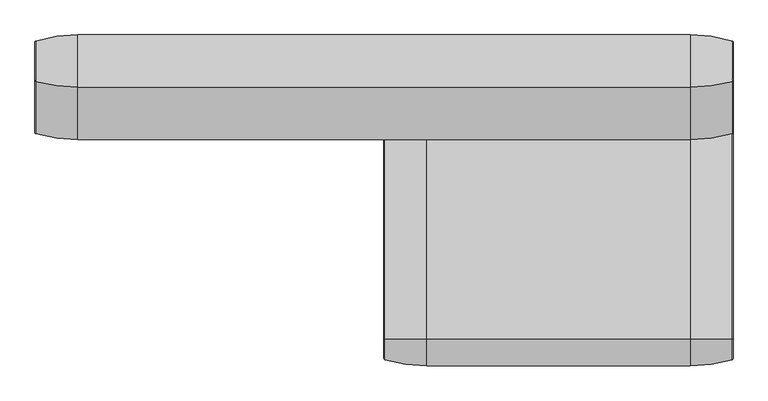
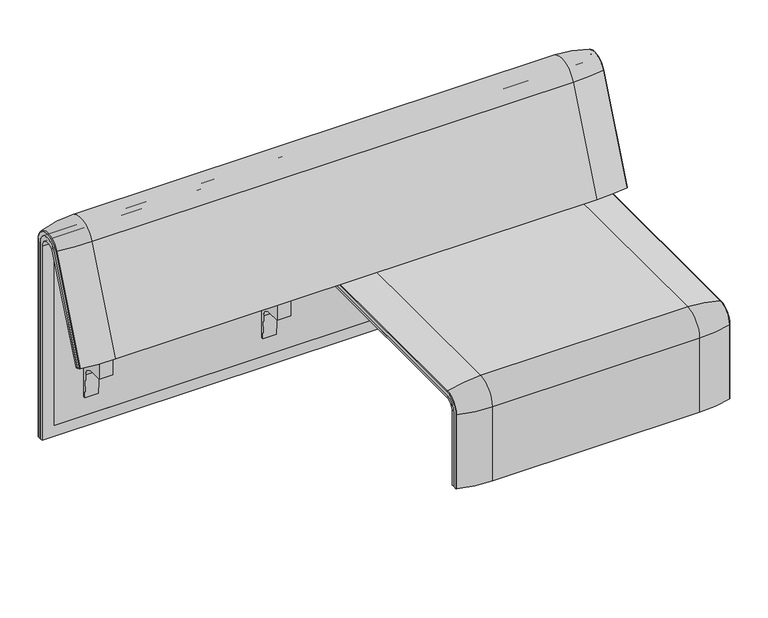
"""IFC4 building model written with IfcOpenShell, lengths in millimetres: furniture geometry."""

from ifc_helpers import new_model, si_unit, point, frame, frame_2d, origin, place, context, project, spatial, polyline, circle_curve, ellipse_curve, trimmed, segment, composite_curve, outline, extrude, source, transform, mapped, element, save
from ifc_brep_helpers import plane_surface, cylinder_surface, revolved_surface, advanced_brep


def furniture_8ec2e167(model_context):
    return source(origin(), model_context, "Body", "SolidModel", [
        extrude(outline(composite_curve([segment(trimmed(circle_curve(frame_2d((305.0000061, 379.9223263)), 30.0), [point((305.0000061, 349.9223263))], [point((335.0000061, 379.9223263))], True, "CARTESIAN"), True, "CONTINUOUS"), segment(polyline([(335.0000061, 379.9223263), (335.0000061, 515.0657595)]), True, "CONTINUOUS"), segment(trimmed(circle_curve(frame_2d((305.0000061, 515.0657595)), 30.0), [point((335.0000061, 515.0657595))], [point((316.7219399, 542.6809051))], True, "CARTESIAN"), True, "CONTINUOUS"), segment(polyline([(316.7219399, 542.6809051), (257.4911714, 567.8228747)]), True, "CONTINUOUS"), segment(trimmed(circle_curve(frame_2d((251.6302045, 554.0153019)), 15.0), [point((257.4911714, 567.8228747))], [point((238.0355877, 560.3545758))], True, "CARTESIAN"), True, "CONTINUOUS"), segment(polyline([(238.0355877, 560.3545758), (222.2725218, 526.5505721), (213.7507451, 529.5682915), (296.3054528, 724.0549949)]), True, "CONTINUOUS"), segment(trimmed(circle_curve(frame_2d((322.520748, 712.9272623)), 28.479258), [point((296.3054528, 724.0549949))], [point((351.0000061, 712.9272623))], False, "CARTESIAN"), True, "CONTINUOUS"), segment(polyline([(351.0000061, 712.9272623), (351.0000061, 197.0551771), (343.3075759, 197.0551771), (339.4064861, 271.492405)]), True, "CONTINUOUS"), segment(trimmed(circle_curve(frame_2d((309.4476, 269.9223263)), 30.0), [point((339.4064861, 271.492405))], [point((309.4476, 299.9223263))], True, "CARTESIAN"), True, "CONTINUOUS"), segment(polyline([(309.4476, 299.9223263), (270.0000061, 299.9223263), (270.0000061, 359.9223263), (275.0000061, 359.9223263)]), True, "CONTINUOUS"), segment(trimmed(circle_curve(frame_2d((285.0000061, 359.9223263)), 10.0), [point((275.0000061, 359.9223263))], [point((285.0000061, 349.9223263))], True, "CARTESIAN"), True, "CONTINUOUS"), segment(polyline([(285.0000061, 349.9223263), (305.0000061, 349.9223263)]), True, "CONTINUOUS")], self_intersect=False), holes=[composite_curve([segment(polyline([(337.5000061, 576.3274105), (337.5000061, 716.7072663)]), True, "CONTINUOUS"), segment(trimmed(circle_curve(frame_2d((322.5000061, 716.7072663)), 15.0), [point((337.5000061, 716.7072663))], [point((308.9053893, 723.0465402))], True, "CARTESIAN"), True, "CONTINUOUS"), segment(polyline([(308.9053893, 723.0465402), (253.6256191, 604.4986904)]), True, "CONTINUOUS"), segment(trimmed(circle_curve(frame_2d((271.7517748, 596.0463251)), 20.0), [point((253.6256191, 604.4986904))], [point((265.0756376, 577.1934953))], True, "CARTESIAN"), True, "CONTINUOUS"), segment(polyline([(265.0756376, 577.1934953), (314.1406626, 559.8186587)]), True, "CONTINUOUS"), segment(trimmed(circle_curve(frame_2d((319.9867182, 576.3274105)), 17.5132879), [point((314.1406626, 559.8186587))], [point((337.5000061, 576.3274105))], True, "CARTESIAN"), True, "CONTINUOUS")], self_intersect=False)]), frame((123.0123717, 0.0, 0.0), z_axis=(1.0, 0.0, 0.0), x_axis=(0.0, 1.0, 0.0)), (0.0, 0.0, 1.0), 40.0),
        extrude(outline(composite_curve([segment(trimmed(circle_curve(frame_2d((305.0000061, 379.9223263)), 30.0), [point((305.0000061, 349.9223263))], [point((335.0000061, 379.9223263))], True, "CARTESIAN"), True, "CONTINUOUS"), segment(polyline([(335.0000061, 379.9223263), (335.0000061, 515.0657595)]), True, "CONTINUOUS"), segment(trimmed(circle_curve(frame_2d((305.0000061, 515.0657595)), 30.0), [point((335.0000061, 515.0657595))], [point((316.7219399, 542.6809051))], True, "CARTESIAN"), True, "CONTINUOUS"), segment(polyline([(316.7219399, 542.6809051), (257.4911714, 567.8228747)]), True, "CONTINUOUS"), segment(trimmed(circle_curve(frame_2d((251.6302045, 554.0153019)), 15.0), [point((257.4911714, 567.8228747))], [point((238.0355877, 560.3545758))], True, "CARTESIAN"), True, "CONTINUOUS"), segment(polyline([(238.0355877, 560.3545758), (222.2725218, 526.5505721), (213.7507451, 529.5682915), (296.3054528, 724.0549949)]), True, "CONTINUOUS"), segment(trimmed(circle_curve(frame_2d((322.520748, 712.9272623)), 28.479258), [point((296.3054528, 724.0549949))], [point((351.0000061, 712.9272623))], False, "CARTESIAN"), True, "CONTINUOUS"), segment(polyline([(351.0000061, 712.9272623), (351.0000061, 197.0551771), (343.3075759, 197.0551771), (339.4064861, 271.492405)]), True, "CONTINUOUS"), segment(trimmed(circle_curve(frame_2d((309.4476, 269.9223263)), 30.0), [point((339.4064861, 271.492405))], [point((309.4476, 299.9223263))], True, "CARTESIAN"), True, "CONTINUOUS"), segment(polyline([(309.4476, 299.9223263), (270.0000061, 299.9223263), (270.0000061, 359.9223263), (275.0000061, 359.9223263)]), True, "CONTINUOUS"), segment(trimmed(circle_curve(frame_2d((285.0000061, 359.9223263)), 10.0), [point((275.0000061, 359.9223263))], [point((285.0000061, 349.9223263))], True, "CARTESIAN"), True, "CONTINUOUS"), segment(polyline([(285.0000061, 349.9223263), (305.0000061, 349.9223263)]), True, "CONTINUOUS")], self_intersect=False), holes=[composite_curve([segment(polyline([(337.5000061, 576.3274105), (337.5000061, 716.7072663)]), True, "CONTINUOUS"), segment(trimmed(circle_curve(frame_2d((322.5000061, 716.7072663)), 15.0), [point((337.5000061, 716.7072663))], [point((308.9053893, 723.0465402))], True, "CARTESIAN"), True, "CONTINUOUS"), segment(polyline([(308.9053893, 723.0465402), (253.6256191, 604.4986904)]), True, "CONTINUOUS"), segment(trimmed(circle_curve(frame_2d((271.7517748, 596.0463251)), 20.0), [point((253.6256191, 604.4986904))], [point((265.0756376, 577.1934953))], True, "CARTESIAN"), True, "CONTINUOUS"), segment(polyline([(265.0756376, 577.1934953), (314.1406626, 559.8186587)]), True, "CONTINUOUS"), segment(trimmed(circle_curve(frame_2d((319.9867182, 576.3274105)), 17.5132879), [point((314.1406626, 559.8186587))], [point((337.5000061, 576.3274105))], True, "CARTESIAN"), True, "CONTINUOUS")], self_intersect=False)]), frame((653.0019654, 0.0, 0.0), z_axis=(1.0, 0.0, 0.0), x_axis=(0.0, 1.0, 0.0)), (0.0, 0.0, 1.0), 40.0),
        advanced_brep(
        [(816.0143371, 351.0000061, 101.8476716), (816.0143371, 359.7858817, 101.8476716), (816.0143371, 359.7858817, 720.3417731), (816.0143371, 292.4403877, 733.7122262), (816.0143371, 170.1966807, 437.98305), (816.0143371, 175.0204081, 435.9866665), (816.0143371, 296.2458652, 723.9869215), (816.0143371, 351.0000061, 712.9272623), (-815.9812488, 351.0000061, 101.8476716), (-815.9812488, 351.0000061, 712.9272623), (-815.9812488, 296.2720241, 723.9759107), (-815.9812488, 175.0204081, 435.9866665), (-815.9812488, 170.1966807, 437.98305), (-815.9812488, 292.4403877, 733.7122262), (-815.9812488, 359.7858817, 720.3417731), (-815.9812488, 359.7858817, 101.8476716), (781.097793, 292.4403877, 733.7122262), (781.097793, 176.0980387, 452.25948), (-781.097793, 176.0980387, 452.25948), (-781.097793, 292.4403877, 733.7122262), (-781.097793, 296.2458652, 723.9869215), (-781.097793, 181.0136548, 450.2250668), (781.097793, 181.0136548, 450.2250668), (781.097793, 296.2458652, 723.9869215), (781.097793, 351.0000061, 712.9272623), (781.097793, 351.0000061, 135.3766997), (-781.097793, 351.0000061, 135.3766997), (-781.097793, 351.0000061, 712.9272623), (-781.097793, 359.7858817, 720.3417731), (-781.097793, 359.7858817, 135.3766997), (781.097793, 359.7858817, 135.3766997), (781.097793, 359.7858817, 720.3417731)],
        [
            (0, 1),
            (1, 2),
            (2, 3, circle_curve(frame((816.0143371, 324.7858817, 720.3417731), z_axis=(1.0, 0.0, 0.0), x_axis=(0.0, -1.0, 0.0)), 35.0)),
            (3, 4),
            (4, 5),
            (5, 6),
            (6, 7, circle_curve(frame((816.0143371, 322.520748, 712.9272623), z_axis=(-1.0, 0.0, 0.0), x_axis=(0.0, -1.0, 0.0)), 28.479258)),
            (7, 0),
            (8, 9),
            (9, 10, circle_curve(frame((-815.9812488, 322.520748, 712.9272623), z_axis=(1.0, 0.0, 0.0), x_axis=(0.0, -1.0, 0.0)), 28.479258)),
            (10, 11),
            (11, 12),
            (12, 13),
            (13, 14, circle_curve(frame((-815.9812488, 324.7858817, 720.3417731), z_axis=(-1.0, 0.0, 0.0), x_axis=(0.0, -1.0, 0.0)), 35.0)),
            (14, 15),
            (15, 8),
            (3, 16),
            (16, 17),
            (17, 18),
            (18, 19),
            (19, 13),
            (12, 4),
            (11, 5),
            (10, 20),
            (20, 21),
            (21, 22),
            (22, 23),
            (23, 6),
            (7, 24),
            (24, 25),
            (25, 26),
            (26, 27),
            (27, 9),
            (8, 0),
            (15, 1),
            (14, 28),
            (28, 29),
            (29, 30),
            (30, 31),
            (31, 2),
            (31, 16, circle_curve(frame((781.097793, 324.7858817, 720.3417731), z_axis=(1.0, 0.0, 0.0), x_axis=(0.0, -1.0, 0.0)), 35.0)),
            (19, 28, circle_curve(frame((-781.097793, 324.7858817, 720.3417731), z_axis=(-1.0, 0.0, 0.0), x_axis=(0.0, -1.0, 0.0)), 35.0)),
            (23, 24, circle_curve(frame((781.097793, 322.520748, 712.9272623), z_axis=(-1.0, 0.0, 0.0), x_axis=(0.0, -1.0, 0.0)), 28.479258)),
            (27, 20, circle_curve(frame((-781.097793, 322.520748, 712.9272623), z_axis=(1.0, 0.0, 0.0), x_axis=(0.0, -1.0, 0.0)), 28.479258)),
            (22, 17),
            (30, 25),
            (26, 29),
            (18, 21),
        ],
        [
            plane_surface(frame((816.0143371, 359.7858817, 101.8476716), z_axis=(1.0, 0.0, 0.0), x_axis=(0.0, 1.0, 0.0))),
            plane_surface(frame((-815.9812488, 359.7858817, 101.8476716), z_axis=(-1.0, 0.0, 0.0), x_axis=(0.0, -1.0, 0.0))),
            plane_surface(frame((816.0143371, 292.4403877, 733.7122262), z_axis=(0.0, -0.9241569717933176, 0.3820129467515535), x_axis=(-1.0, 0.0, 0.0))),
            plane_surface(frame((816.0143371, 170.1966807, 437.98305), z_axis=(0.0, -0.3824103944198279, -0.9239925812687414), x_axis=(-1.0, 0.0, 0.0))),
            plane_surface(frame((816.0143371, 175.0204081, 435.9866665), z_axis=(0.0, 0.921678643444566, -0.3879542218073993), x_axis=(-1.0, 0.0, 0.0))),
            plane_surface(frame((816.0143371, 351.0000061, 712.9272623), z_axis=(0.0, -1.0, 0.0), x_axis=(-1.0, 0.0, 0.0))),
            plane_surface(frame((816.0143371, 351.0000061, 101.8476716), z_axis=(0.0, 0.0, -1.0), x_axis=(-1.0, 0.0, 0.0))),
            plane_surface(frame((816.0143371, 359.7858817, 101.8476716), z_axis=(0.0, 1.0, 0.0), x_axis=(-1.0, 0.0, 0.0))),
            cylinder_surface(frame((-815.9812488, 324.7858817, 720.3417731), z_axis=(1.0, 0.0, 0.0), x_axis=(0.0, -1.0, 0.0)), 35.0),
            revolved_surface(polyline([(781.0977930000001, 294.04149, 712.9272623), (816.0143371000001, 294.04149, 712.9272623)]), (-815.9812488, 322.520748, 712.9272623), (-1.0, 0.0, 0.0)),
            revolved_surface(polyline([(-815.9812488, 294.04149, 712.9272623), (-781.097793, 294.04149, 712.9272623)]), (-815.9812488, 322.520748, 712.9272623), (-1.0, 0.0, 0.0)),
            plane_surface(frame((781.097793, 359.7858817, 135.3766997), z_axis=(-1.0, 0.0, 0.0), x_axis=(0.0, 1.0, 0.0))),
            plane_surface(frame((-781.097793, 359.7858817, 135.3766997), z_axis=(1.0, 0.0, 0.0), x_axis=(0.0, -1.0, 0.0))),
            plane_surface(frame((781.097793, 166.9120641, 456.0612553), z_axis=(0.0, 0.38241039441982605, 0.9239925812687422), x_axis=(-1.0, 0.0, 0.0))),
            plane_surface(frame((781.097793, 344.7858817, 135.3766997), z_axis=(0.0, 0.0, 1.0), x_axis=(-1.0, 0.0, 0.0))),
        ],
        [
            (0, [[1, 2, 3, 4, 5, 6, 7, 8]]),
            (1, [[9, 10, 11, 12, 13, 14, 15, 16]]),
            (2, [[-4, 17, 18, 19, 20, 21, -13, 22]]),
            (3, [[-5, -22, -12, 23]]),
            (4, [[-6, -23, -11, 24, 25, 26, 27, 28]]),
            (5, [[-8, 29, 30, 31, 32, 33, -9, 34]]),
            (6, [[-1, -34, -16, 35]]),
            (7, [[-2, -35, -15, 36, 37, 38, 39, 40]]),
            (8, [[-3, -40, 41, -17]]),
            (8, [[-14, -21, 42, -36]]),
            (9, [[-7, -28, 43, -29]]),
            (10, [[-10, -33, 44, -24]]),
            (11, [[45, -18, -41, -39, 46, -30, -43, -27]]),
            (12, [[47, -37, -42, -20, 48, -25, -44, -32]]),
            (13, [[-45, -26, -48, -19]]),
            (14, [[-46, -38, -47, -31]]),
        ],
    ),
        advanced_brep(
        [(781.097793, 351.0000061, 135.3766997), (781.097793, 359.7858817, 135.3766997), (781.097793, 359.7858817, 720.3417731), (781.097793, 292.4403877, 733.7122262), (781.097793, 176.0980387, 452.25948), (781.097793, 181.0136548, 450.2250668), (781.097793, 296.2458652, 723.9869215), (781.097793, 351.0000061, 712.9272623), (-781.097793, 351.0000061, 135.3766997), (-781.097793, 351.0000061, 712.9272623), (-781.097793, 296.2720241, 723.9759107), (-781.097793, 181.0136548, 450.2250668), (-781.097793, 176.0980387, 452.25948), (-781.097793, 292.4403877, 733.7122262), (-781.097793, 359.7858817, 720.3417731), (-781.097793, 359.7858817, 135.3766997)],
        [
            (0, 1),
            (1, 2),
            (2, 3, circle_curve(frame((781.097793, 324.7858817, 720.3417731), z_axis=(1.0, 0.0, 0.0), x_axis=(0.0, -1.0, 0.0)), 35.0)),
            (3, 4),
            (4, 5),
            (5, 6),
            (6, 7, circle_curve(frame((781.097793, 322.520748, 712.9272623), z_axis=(-1.0, 0.0, 0.0), x_axis=(0.0, -1.0, 0.0)), 28.479258)),
            (7, 0),
            (8, 9),
            (9, 10, circle_curve(frame((-781.097793, 322.520748, 712.9272623), z_axis=(1.0, 0.0, 0.0), x_axis=(0.0, -1.0, 0.0)), 28.479258)),
            (10, 11),
            (11, 12),
            (12, 13),
            (13, 14, circle_curve(frame((-781.097793, 324.7858817, 720.3417731), z_axis=(-1.0, 0.0, 0.0), x_axis=(0.0, -1.0, 0.0)), 35.0)),
            (14, 15),
            (15, 8),
            (3, 13),
            (12, 4),
            (11, 5),
            (10, 6),
            (7, 9),
            (8, 0),
            (15, 1),
            (14, 2),
        ],
        [
            plane_surface(frame((781.097793, 359.7858817, 135.3766997), z_axis=(1.0, 0.0, 0.0), x_axis=(0.0, 1.0, 0.0))),
            plane_surface(frame((-781.097793, 359.7858817, 135.3766997), z_axis=(-1.0, 0.0, 0.0), x_axis=(0.0, -1.0, 0.0))),
            plane_surface(frame((781.097793, 292.4403877, 733.7122262), z_axis=(0.0, -0.9241569717933176, 0.3820129467515535), x_axis=(-1.0, 0.0, 0.0))),
            plane_surface(frame((781.097793, 176.0980387, 452.25948), z_axis=(0.0, -0.38241039441982716, -0.9239925812687417), x_axis=(-1.0, 0.0, 0.0))),
            plane_surface(frame((781.097793, 181.0136548, 450.2250668), z_axis=(0.0, 0.921678643444566, -0.3879542218073993), x_axis=(-1.0, 0.0, 0.0))),
            plane_surface(frame((781.097793, 351.0000061, 712.9272623), z_axis=(0.0, -1.0, 0.0), x_axis=(-1.0, 0.0, 0.0))),
            plane_surface(frame((781.097793, 351.0000061, 135.3766997), z_axis=(0.0, 0.0, -1.0), x_axis=(-1.0, 0.0, 0.0))),
            plane_surface(frame((781.097793, 359.7858817, 135.3766997), z_axis=(0.0, 1.0, 0.0), x_axis=(-1.0, 0.0, 0.0))),
            cylinder_surface(frame((-781.097793, 324.7858817, 720.3417731), z_axis=(1.0, 0.0, 0.0), x_axis=(0.0, -1.0, 0.0)), 35.0),
            revolved_surface(polyline([(-781.097793, 294.04149, 712.9272623), (781.097793, 294.04149, 712.9272623)]), (-781.097793, 322.520748, 712.9272623), (-1.0, 0.0, 0.0)),
        ],
        [
            (0, [[1, 2, 3, 4, 5, 6, 7, 8]]),
            (1, [[9, 10, 11, 12, 13, 14, 15, 16]]),
            (2, [[-4, 17, -13, 18]]),
            (3, [[-5, -18, -12, 19]]),
            (4, [[-6, -19, -11, 20]]),
            (5, [[-8, 21, -9, 22]]),
            (6, [[-1, -22, -16, 23]]),
            (7, [[-2, -23, -15, 24]]),
            (8, [[-3, -24, -14, -17]]),
            (9, [[-7, -20, -10, -21]]),
        ],
    ),
        extrude(outline(composite_curve([segment(trimmed(circle_curve(frame_2d((305.0000061, 379.9223263)), 30.0), [point((305.0000061, 349.9223263))], [point((335.0000061, 379.9223263))], True, "CARTESIAN"), True, "CONTINUOUS"), segment(polyline([(335.0000061, 379.9223263), (335.0000061, 515.0657595)]), True, "CONTINUOUS"), segment(trimmed(circle_curve(frame_2d((305.0000061, 515.0657595)), 30.0), [point((335.0000061, 515.0657595))], [point((316.7219399, 542.6809051))], True, "CARTESIAN"), True, "CONTINUOUS"), segment(polyline([(316.7219399, 542.6809051), (257.4911714, 567.8228747)]), True, "CONTINUOUS"), segment(trimmed(circle_curve(frame_2d((251.6302045, 554.0153019)), 15.0), [point((257.4911714, 567.8228747))], [point((238.0355877, 560.3545758))], True, "CARTESIAN"), True, "CONTINUOUS"), segment(polyline([(238.0355877, 560.3545758), (222.2725218, 526.5505721), (213.7507451, 529.5682915), (296.3054528, 724.0549949)]), True, "CONTINUOUS"), segment(trimmed(circle_curve(frame_2d((322.520748, 712.9272623)), 28.479258), [point((296.3054528, 724.0549949))], [point((351.0000061, 712.9272623))], False, "CARTESIAN"), True, "CONTINUOUS"), segment(polyline([(351.0000061, 712.9272623), (351.0000061, 197.0551771), (343.3075759, 197.0551771), (339.4064861, 271.492405)]), True, "CONTINUOUS"), segment(trimmed(circle_curve(frame_2d((309.4476, 269.9223263)), 30.0), [point((339.4064861, 271.492405))], [point((309.4476, 299.9223263))], True, "CARTESIAN"), True, "CONTINUOUS"), segment(polyline([(309.4476, 299.9223263), (270.0000061, 299.9223263), (270.0000061, 359.9223263), (275.0000061, 359.9223263)]), True, "CONTINUOUS"), segment(trimmed(circle_curve(frame_2d((285.0000061, 359.9223263)), 10.0), [point((275.0000061, 359.9223263))], [point((285.0000061, 349.9223263))], True, "CARTESIAN"), True, "CONTINUOUS"), segment(polyline([(285.0000061, 349.9223263), (305.0000061, 349.9223263)]), True, "CONTINUOUS")], self_intersect=False), holes=[composite_curve([segment(polyline([(337.5000061, 576.3274105), (337.5000061, 716.7072663)]), True, "CONTINUOUS"), segment(trimmed(circle_curve(frame_2d((322.5000061, 716.7072663)), 15.0), [point((337.5000061, 716.7072663))], [point((308.9053893, 723.0465402))], True, "CARTESIAN"), True, "CONTINUOUS"), segment(polyline([(308.9053893, 723.0465402), (253.6256191, 604.4986904)]), True, "CONTINUOUS"), segment(trimmed(circle_curve(frame_2d((271.7517748, 596.0463251)), 20.0), [point((253.6256191, 604.4986904))], [point((265.0756376, 577.1934953))], True, "CARTESIAN"), True, "CONTINUOUS"), segment(polyline([(265.0756376, 577.1934953), (314.1406626, 559.8186587)]), True, "CONTINUOUS"), segment(trimmed(circle_curve(frame_2d((319.9867182, 576.3274105)), 17.5132879), [point((314.1406626, 559.8186587))], [point((337.5000061, 576.3274105))], True, "CARTESIAN"), True, "CONTINUOUS")], self_intersect=False)]), frame((-163.0123717, 0.0, 0.0), z_axis=(1.0, 0.0, 0.0), x_axis=(0.0, 1.0, 0.0)), (0.0, 0.0, 1.0), 40.0),
        advanced_brep(
        [(716.0143371, 388.2902376, 100.5089435), (813.8757086, 373.93893, 100.5089435), (816.0143371, 371.0652495, 100.5089435), (816.0143371, 359.7858817, 100.5089435), (-816.0143371, 359.7858817, 100.5089435), (-816.0143371, 371.0652495, 100.5089435), (-813.8757086, 373.93893, 100.5089435), (-716.0143371, 388.2902376, 100.5089435), (-716.0143371, 388.2902376, 720.3417731), (716.0143371, 388.2902376, 720.3417731), (813.8757086, 373.93893, 720.3417731), (816.0143371, 371.0652495, 720.3417731), (816.0143371, 282.0164812, 738.0210907), (816.0143371, 159.7723383, 442.2908598), (816.0143371, 170.1962447, 437.9819952), (816.0143371, 292.4403877, 733.7122262), (816.0143371, 359.7858817, 720.3417731), (-816.0143371, 359.7858817, 720.3417731), (716.0143371, 143.8537454, 448.8710282), (-716.0143371, 143.8537454, 448.8710282), (-813.8757086, 157.1166065, 443.3886429), (-816.0143371, 159.7723383, 442.2908598), (-816.0143371, 170.1962447, 437.9819952), (813.8757086, 157.1166065, 443.3886429), (716.0143371, 266.0978884, 744.6012592), (-716.0143371, 266.0978884, 744.6012592), (813.8757086, 279.3607494, 739.1188739), (-816.0143371, 292.4403877, 733.7122262), (-816.0143371, 282.0164812, 738.0210907), (-816.0143371, 371.0652495, 720.3417731), (-813.8757086, 373.93893, 720.3417731), (-813.8757086, 279.3607494, 739.1188739)],
        [
            (0, 1, circle_curve(frame((716.0143371, 47.4569043, 100.5089435), z_axis=(0.0, 0.0, -1.0), x_axis=(0.0, -1.0, 0.0)), 340.8333333)),
            (1, 2, circle_curve(frame((813.0143371, 371.0652495, 100.5089435), z_axis=(0.0, 0.0, -1.0), x_axis=(1.0, 0.0, 0.0)), 3.0)),
            (2, 3),
            (3, 4),
            (4, 5),
            (5, 6, circle_curve(frame((-813.0143371, 371.0652495, 100.5089435), z_axis=(0.0, 0.0, -1.0), x_axis=(-1.0, 0.0, 0.0)), 3.0)),
            (6, 7, circle_curve(frame((-716.0143371, 47.4569043, 100.5089435), z_axis=(0.0, 0.0, -1.0), x_axis=(0.0, -1.0, 0.0)), 340.8333333)),
            (7, 0),
            (7, 8),
            (8, 9),
            (9, 0),
            (9, 10, circle_curve(frame((716.0143371, 47.4569043, 720.3417731), z_axis=(0.0, 0.0, -1.0), x_axis=(0.0, -1.0, 0.0)), 340.8333333)),
            (10, 1),
            (10, 11, circle_curve(frame((813.0143371, 371.0652495, 720.3417731), z_axis=(0.0, 0.0, -1.0), x_axis=(1.0, 0.0, 0.0)), 3.0)),
            (11, 2),
            (11, 12, circle_curve(frame((816.0143371, 324.7858817, 720.3417731), z_axis=(1.0, 0.0, 0.0), x_axis=(0.0, 1.0, 0.0)), 46.2793679)),
            (12, 13),
            (13, 14),
            (14, 15),
            (15, 16, circle_curve(frame((816.0143371, 324.7858817, 720.3417731), z_axis=(-1.0, 0.0, 0.0), x_axis=(0.0, 1.0, 0.0)), 35.0)),
            (16, 3),
            (16, 17),
            (17, 4),
            (18, 19),
            (19, 20, circle_curve(frame((-716.0143371, 458.8372467, 318.6682822), z_axis=(0.0, -0.38201294675155345, -0.9241569717933176), x_axis=(0.0, 0.9241569717933176, -0.38201294675155345)), 340.8333333)),
            (20, 21, circle_curve(frame((-813.0143371, 159.7723383, 442.2908598), z_axis=(0.0, -0.38201294675155345, -0.9241569717933176), x_axis=(-1.0, 0.0, 0.0)), 3.0)),
            (21, 22),
            (22, 14),
            (13, 23, circle_curve(frame((813.0143371, 159.7723383, 442.2908598), z_axis=(0.0, -0.38201294675155345, -0.9241569717933176), x_axis=(1.0, 0.0, 0.0)), 3.0)),
            (23, 18, circle_curve(frame((716.0143371, 458.8372467, 318.6682822), z_axis=(0.0, -0.38201294675155345, -0.9241569717933176), x_axis=(0.0, 0.9241569717933176, -0.38201294675155345)), 340.8333333)),
            (24, 9, circle_curve(frame((716.0143371, 324.7858817, 720.3417731), z_axis=(-1.0, 0.0, 0.0), x_axis=(0.0, 1.0, 0.0)), 63.5043559)),
            (8, 25, circle_curve(frame((-716.0143371, 324.7858817, 720.3417731), z_axis=(1.0, 0.0, 0.0), x_axis=(0.0, 1.0, 0.0)), 63.5043559)),
            (25, 24),
            (26, 10, circle_curve(frame((813.8757086, 324.7858817, 720.3417731), z_axis=(-1.0, 0.0, 0.0), x_axis=(0.0, 1.0, 0.0)), 49.1530483)),
            (24, 26, circle_curve(frame((716.0143371, 581.0813896, 614.3985132), z_axis=(0.0, 0.3820129467515556, 0.9241569717933167), x_axis=(0.0, 0.9241569717933167, -0.3820129467515556)), 340.8333333)),
            (26, 12, circle_curve(frame((813.0143371, 282.0164812, 738.0210907), z_axis=(0.0, 0.3820129467515548, 0.924156971793317), x_axis=(1.0, 0.0, 0.0)), 3.0)),
            (27, 17, circle_curve(frame((-816.0143371, 324.7858817, 720.3417731), z_axis=(-1.0, 0.0, 0.0), x_axis=(0.0, 1.0, 0.0)), 35.0)),
            (15, 27),
            (25, 19),
            (18, 24),
            (23, 26),
            (22, 27),
            (21, 28),
            (28, 29, circle_curve(frame((-816.0143371, 324.7858817, 720.3417731), z_axis=(-1.0, 0.0, 0.0), x_axis=(0.0, 1.0, 0.0)), 46.2793679)),
            (29, 5),
            (29, 30, circle_curve(frame((-813.0143371, 371.0652495, 720.3417731), z_axis=(0.0, 0.0, -1.0), x_axis=(-1.0, 0.0, 0.0)), 3.0)),
            (30, 6),
            (30, 8, circle_curve(frame((-716.0143371, 47.4569043, 720.3417731), z_axis=(0.0, 0.0, -1.0), x_axis=(0.0, -1.0, 0.0)), 340.8333333)),
            (31, 30, circle_curve(frame((-813.8757086, 324.7858817, 720.3417731), z_axis=(-1.0, 0.0, 0.0), x_axis=(0.0, 1.0, 0.0)), 49.1530483)),
            (28, 31, circle_curve(frame((-813.0143371, 282.0164812, 738.0210907), z_axis=(0.0, 0.382012946751554, 0.9241569717933174), x_axis=(-1.0, 0.0, 0.0)), 3.0)),
            (31, 25, circle_curve(frame((-716.0143371, 581.0813896, 614.3985132), z_axis=(0.0, 0.382012946751554, 0.9241569717933174), x_axis=(0.0, 0.9241569717933174, -0.382012946751554)), 340.8333333)),
            (20, 31),
        ],
        [
            plane_surface(frame((-403.2421453, 359.7858817, 100.5089435), z_axis=(0.0, 0.0, -1.0), x_axis=(1.0, 0.0, 0.0))),
            plane_surface(frame((-716.0143371, 388.2902376, 100.5089435), z_axis=(0.0, 1.0, 0.0), x_axis=(0.0, 0.0, 1.0))),
            cylinder_surface(frame((716.0143371, 47.4569043, 100.5089435), z_axis=(0.0, 0.0, -1.0), x_axis=(0.0, -1.0, 0.0)), 340.8333333),
            cylinder_surface(frame((813.0143371, 371.0652495, 100.5089435), z_axis=(0.0, 0.0, -1.0), x_axis=(1.0, 0.0, 0.0)), 3.0),
            plane_surface(frame((816.0143371, 371.0652495, 100.5089435), z_axis=(1.0, 0.0, 0.0), x_axis=(0.0, 0.0, 1.0))),
            plane_surface(frame((816.0143371, 359.7858817, 100.5089435), z_axis=(0.0, -1.0, 0.0), x_axis=(0.0, 0.0, 1.0))),
            plane_surface(frame((-403.2421453, 170.1962447, 437.9819952), z_axis=(0.0, -0.38201294675155345, -0.9241569717933176), x_axis=(1.0, 0.0, 0.0))),
            cylinder_surface(frame((-403.2421453, 324.7858817, 720.3417731), z_axis=(1.0, 0.0, 0.0), x_axis=(0.0, 1.0, 0.0)), 63.5043559),
            revolved_surface(trimmed(ellipse_curve(frame((716.0143371, 47.4569043, 720.3417731), z_axis=(0.0, 0.0, -1.0), x_axis=(0.0, -1.0, 0.0)), 340.8333333, 340.8333333), [point((716.0143371, 388.2902376, 720.3417731))], [point((813.8757086, 373.93893, 720.3417731))], True, "CARTESIAN"), (-403.2421453, 324.7858817, 720.3417731), (1.0, 0.0, 0.0)),
            revolved_surface(trimmed(ellipse_curve(frame((813.0143371, 371.0652495, 720.3417731), z_axis=(0.0, 0.0, -1.0), x_axis=(1.0, 0.0, 0.0)), 3.0, 3.0), [point((813.8757086, 373.93893, 720.3417731))], [point((816.0143371, 371.0652495, 720.3417731))], True, "CARTESIAN"), (-403.2421453, 324.7858817, 720.3417731), (1.0, 0.0, 0.0)),
            revolved_surface(polyline([(816.0143371000001, 359.7858817, 720.3417731), (-816.0143371, 359.7858817, 720.3417731)]), (-403.2421453, 324.7858817, 720.3417731), (1.0, 0.0, 0.0)),
            plane_surface(frame((-716.0143371, 266.0978884, 744.6012592), z_axis=(0.0, -0.9241569717933174, 0.38201294675155406), x_axis=(0.0, -0.38201294675155406, -0.9241569717933174))),
            cylinder_surface(frame((716.0143371, 581.0813896, 614.3985132), z_axis=(0.0, 0.38201294675155345, 0.9241569717933176), x_axis=(0.0, 0.9241569717933176, -0.38201294675155345)), 340.8333333),
            cylinder_surface(frame((813.0143371, 282.0164812, 738.0210907), z_axis=(0.0, 0.38201294675155345, 0.9241569717933176), x_axis=(1.0, 0.0, 0.0)), 3.0),
            plane_surface(frame((816.0143371, 292.4403877, 733.7122262), z_axis=(0.0, 0.9241569717933175, -0.3820129467515539), x_axis=(0.0, -0.3820129467515539, -0.9241569717933175))),
            plane_surface(frame((-816.0143371, 359.7858817, 100.5089435), z_axis=(-1.0, 0.0, 0.0), x_axis=(0.0, 0.0, 1.0))),
            cylinder_surface(frame((-813.0143371, 371.0652495, 100.5089435), z_axis=(0.0, 0.0, -1.0), x_axis=(-1.0, 0.0, 0.0)), 3.0),
            cylinder_surface(frame((-716.0143371, 47.4569043, 100.5089435), z_axis=(0.0, 0.0, -1.0), x_axis=(0.0, -1.0, 0.0)), 340.8333333),
            revolved_surface(trimmed(ellipse_curve(frame((-813.0143371, 371.0652495, 720.3417731), z_axis=(0.0, 0.0, -1.0), x_axis=(-1.0, 0.0, 0.0)), 3.0, 3.0), [point((-816.0143371, 371.0652495, 720.3417731))], [point((-813.8757086, 373.93893, 720.3417731))], True, "CARTESIAN"), (-403.2421453, 324.7858817, 720.3417731), (1.0, 0.0, 0.0)),
            revolved_surface(trimmed(ellipse_curve(frame((-716.0143371, 47.4569043, 720.3417731), z_axis=(0.0, 0.0, -1.0), x_axis=(0.0, -1.0, 0.0)), 340.8333333, 340.8333333), [point((-813.8757086, 373.93893, 720.3417731))], [point((-716.0143371, 388.2902376, 720.3417731))], True, "CARTESIAN"), (-403.2421453, 324.7858817, 720.3417731), (1.0, 0.0, 0.0)),
            cylinder_surface(frame((-813.0143371, 282.0164812, 738.0210907), z_axis=(0.0, 0.38201294675155345, 0.9241569717933176), x_axis=(-1.0, 0.0, 0.0)), 3.0),
            cylinder_surface(frame((-716.0143371, 581.0813896, 614.3985132), z_axis=(0.0, 0.38201294675155345, 0.9241569717933176), x_axis=(0.0, 0.9241569717933176, -0.38201294675155345)), 340.8333333),
        ],
        [
            (0, [[1, 2, 3, 4, 5, 6, 7, 8]]),
            (1, [[-8, 9, 10, 11]]),
            (2, [[-1, -11, 12, 13]]),
            (3, [[-2, -13, 14, 15]]),
            (4, [[-3, -15, 16, 17, 18, 19, 20, 21]]),
            (5, [[-4, -21, 22, 23]]),
            (6, [[24, 25, 26, 27, 28, -18, 29, 30]]),
            (7, [[31, -10, 32, 33]]),
            (8, [[34, -12, -31, 35]]),
            (9, [[-16, -14, -34, 36]]),
            (10, [[37, -22, -20, 38]]),
            (11, [[-33, 39, -24, 40]]),
            (12, [[-35, -40, -30, 41]]),
            (13, [[-36, -41, -29, -17]]),
            (14, [[-38, -19, -28, 42]]),
            (15, [[-5, -23, -37, -42, -27, 43, 44, 45]]),
            (16, [[-6, -45, 46, 47]]),
            (17, [[-7, -47, 48, -9]]),
            (18, [[49, -46, -44, 50]]),
            (19, [[-32, -48, -49, 51]]),
            (20, [[-50, -43, -26, 52]]),
            (21, [[-51, -52, -25, -39]]),
        ],
    ),
        extrude(outline(composite_curve([segment(trimmed(circle_curve(frame_2d((305.0000061, 379.9223263)), 30.0), [point((305.0000061, 349.9223263))], [point((335.0000061, 379.9223263))], True, "CARTESIAN"), True, "CONTINUOUS"), segment(polyline([(335.0000061, 379.9223263), (335.0000061, 515.0657595)]), True, "CONTINUOUS"), segment(trimmed(circle_curve(frame_2d((305.0000061, 515.0657595)), 30.0), [point((335.0000061, 515.0657595))], [point((316.7219399, 542.6809051))], True, "CARTESIAN"), True, "CONTINUOUS"), segment(polyline([(316.7219399, 542.6809051), (257.4911714, 567.8228747)]), True, "CONTINUOUS"), segment(trimmed(circle_curve(frame_2d((251.6302045, 554.0153019)), 15.0), [point((257.4911714, 567.8228747))], [point((238.0355877, 560.3545758))], True, "CARTESIAN"), True, "CONTINUOUS"), segment(polyline([(238.0355877, 560.3545758), (222.2725218, 526.5505721), (213.7507451, 529.5682915), (296.3054528, 724.0549949)]), True, "CONTINUOUS"), segment(trimmed(circle_curve(frame_2d((322.520748, 712.9272623)), 28.479258), [point((296.3054528, 724.0549949))], [point((351.0000061, 712.9272623))], False, "CARTESIAN"), True, "CONTINUOUS"), segment(polyline([(351.0000061, 712.9272623), (351.0000061, 197.0551771), (343.3075759, 197.0551771), (339.4064861, 271.492405)]), True, "CONTINUOUS"), segment(trimmed(circle_curve(frame_2d((309.4476, 269.9223263)), 30.0), [point((339.4064861, 271.492405))], [point((309.4476, 299.9223263))], True, "CARTESIAN"), True, "CONTINUOUS"), segment(polyline([(309.4476, 299.9223263), (270.0000061, 299.9223263), (270.0000061, 359.9223263), (275.0000061, 359.9223263)]), True, "CONTINUOUS"), segment(trimmed(circle_curve(frame_2d((285.0000061, 359.9223263)), 10.0), [point((275.0000061, 359.9223263))], [point((285.0000061, 349.9223263))], True, "CARTESIAN"), True, "CONTINUOUS"), segment(polyline([(285.0000061, 349.9223263), (305.0000061, 349.9223263)]), True, "CONTINUOUS")], self_intersect=False), holes=[composite_curve([segment(polyline([(337.5000061, 576.3274105), (337.5000061, 716.7072663)]), True, "CONTINUOUS"), segment(trimmed(circle_curve(frame_2d((322.5000061, 716.7072663)), 15.0), [point((337.5000061, 716.7072663))], [point((308.9053893, 723.0465402))], True, "CARTESIAN"), True, "CONTINUOUS"), segment(polyline([(308.9053893, 723.0465402), (253.6256191, 604.4986904)]), True, "CONTINUOUS"), segment(trimmed(circle_curve(frame_2d((271.7517748, 596.0463251)), 20.0), [point((253.6256191, 604.4986904))], [point((265.0756376, 577.1934953))], True, "CARTESIAN"), True, "CONTINUOUS"), segment(polyline([(265.0756376, 577.1934953), (314.1406626, 559.8186587)]), True, "CONTINUOUS"), segment(trimmed(circle_curve(frame_2d((319.9867182, 576.3274105)), 17.5132879), [point((314.1406626, 559.8186587))], [point((337.5000061, 576.3274105))], True, "CARTESIAN"), True, "CONTINUOUS")], self_intersect=False)]), frame((-693.0019654, 0.0, 0.0), z_axis=(1.0, 0.0, 0.0), x_axis=(0.0, 1.0, 0.0)), (0.0, 0.0, 1.0), 40.0),
        advanced_brep(
        [(0.0, 295.0, 359.922434), (0.0, 295.0, 366.172434), (815.9812488, 295.0, 366.172434), (815.9812488, 295.0, 359.922434), (0.0, -357.5, 333.0583003), (0.0, -357.5, 100.5089435), (815.9812488, -357.5, 100.5089435), (815.9812488, -357.5, 333.0583003), (781.0812488, -357.5, 333.0583003), (781.0812488, -357.5, 135.3766997), (34.9, -357.5, 135.3766997), (34.9, -357.5, 333.0583003), (0.0, -323.7517936, 359.922434), (815.9812488, -323.7517936, 359.922434), (781.0812488, -323.7517936, 359.922434), (781.0812488, 260.0, 359.922434), (34.9, 260.0, 359.922434), (34.9, -323.7517936, 359.922434), (781.0812488, -351.0, 135.3766997), (781.0812488, -324.3858663, 366.172434), (781.0812488, 260.0, 366.172434), (781.0812488, -351.0, 332.6742277), (34.9, 260.0, 366.172434), (0.0, -351.0, 332.6742277), (0.0, -351.0, 100.5089435), (0.0, -324.3858663, 366.172434), (815.9812488, -324.3858663, 366.172434), (815.9812488, -351.0, 100.5089435), (815.9812488, -351.0, 332.6742277), (34.9, -324.3858663, 366.172434), (34.9, -351.0, 332.6742277), (34.9, -351.0, 135.3766997)],
        [
            (0, 1),
            (1, 2),
            (2, 3),
            (3, 0),
            (4, 5),
            (5, 6),
            (6, 7),
            (7, 8),
            (8, 9),
            (9, 10),
            (10, 11),
            (11, 4),
            (12, 0),
            (3, 13),
            (13, 14),
            (14, 15),
            (15, 16),
            (16, 17),
            (17, 12),
            (18, 9),
            (8, 19, circle_curve(frame((781.0812488, -324.3858663, 333.0583003), z_axis=(-1.0, 0.0, 0.0), x_axis=(0.0, -1.0, 0.0)), 33.1141337)),
            (19, 20),
            (20, 15),
            (14, 21, circle_curve(frame((781.0812488, -323.7517936, 332.6742277), z_axis=(1.0, 0.0, 0.0), x_axis=(0.0, -1.0, 0.0)), 27.2482064)),
            (21, 18),
            (22, 16),
            (20, 22),
            (12, 23, circle_curve(frame((0.0, -323.7517936, 332.6742277), z_axis=(1.0, 0.0, 0.0), x_axis=(0.0, -1.0, 0.0)), 27.2482064)),
            (23, 24),
            (24, 5),
            (4, 25, circle_curve(frame((0.0, -324.3858663, 333.0583003), z_axis=(-1.0, 0.0, 0.0), x_axis=(0.0, -1.0, 0.0)), 33.1141337)),
            (25, 1),
            (2, 26),
            (26, 7, circle_curve(frame((815.9812488, -324.3858663, 333.0583003), z_axis=(1.0, 0.0, 0.0), x_axis=(0.0, -1.0, 0.0)), 33.1141337)),
            (6, 27),
            (27, 28),
            (28, 13, circle_curve(frame((815.9812488, -323.7517936, 332.6742277), z_axis=(-1.0, 0.0, 0.0), x_axis=(0.0, -1.0, 0.0)), 27.2482064)),
            (25, 29),
            (29, 22),
            (19, 26),
            (11, 29, circle_curve(frame((34.9, -324.3858663, 333.0583003), z_axis=(-1.0, 0.0, 0.0), x_axis=(0.0, -1.0, 0.0)), 33.1141337)),
            (24, 27),
            (23, 30),
            (30, 31),
            (31, 18),
            (21, 28),
            (17, 30, circle_curve(frame((34.9, -323.7517936, 332.6742277), z_axis=(1.0, 0.0, 0.0), x_axis=(0.0, -1.0, 0.0)), 27.2482064)),
            (10, 31),
        ],
        [
            plane_surface(frame((0.0, 295.0, 366.172434), z_axis=(0.0, 1.0, 0.0), x_axis=(1.0, 0.0, 0.0))),
            plane_surface(frame((0.0, -357.5, 100.5089435), z_axis=(0.0, -1.0, 0.0), x_axis=(1.0, 0.0, 0.0))),
            plane_surface(frame((0.0, 295.0, 359.922434), z_axis=(0.0, 0.0, -1.0), x_axis=(1.0, 0.0, 0.0))),
            plane_surface(frame((781.0812488, -296.9265415, 359.922434), z_axis=(-1.0, 0.0, 0.0), x_axis=(0.0, 1.0, 0.0))),
            plane_surface(frame((34.9, 260.0, 366.172434), z_axis=(0.0, -1.0, 0.0), x_axis=(1.0, 0.0, 0.0))),
            plane_surface(frame((0.0, -296.9265415, 359.922434), z_axis=(-1.0, 0.0, 0.0), x_axis=(0.0, -1.0, 0.0))),
            plane_surface(frame((815.9812488, -296.9265415, 359.922434), z_axis=(1.0, 0.0, 0.0), x_axis=(0.0, 1.0, 0.0))),
            plane_surface(frame((0.0, -324.3858663, 366.172434), z_axis=(0.0, 0.0, 1.0), x_axis=(1.0, 0.0, 0.0))),
            cylinder_surface(frame((815.9812488, -324.3858663, 333.0583003), z_axis=(-1.0, 0.0, 0.0), x_axis=(0.0, -1.0, 0.0)), 33.1141337),
            plane_surface(frame((0.0, -351.0, 100.5089435), z_axis=(0.0, 0.0, -1.0), x_axis=(1.0, 0.0, 0.0))),
            plane_surface(frame((0.0, -351.0, 332.6742277), z_axis=(0.0, 1.0, 0.0), x_axis=(1.0, 0.0, 0.0))),
            revolved_surface(polyline([(34.89999999999998, -351.0, 332.6742277), (0.0, -351.0, 332.6742277)]), (815.9812488, -323.7517936, 332.6742277), (1.0, 0.0, 0.0)),
            revolved_surface(polyline([(815.9812488, -351.0, 332.6742277), (781.0812488, -351.0, 332.6742277)]), (815.9812488, -323.7517936, 332.6742277), (1.0, 0.0, 0.0)),
            plane_surface(frame((34.9, -296.9265415, 359.922434), z_axis=(1.0, 0.0, 0.0), x_axis=(0.0, -1.0, 0.0))),
            plane_surface(frame((34.9, -351.0, 135.3766997), z_axis=(0.0, 0.0, 1.0), x_axis=(1.0, 0.0, 0.0))),
        ],
        [
            (0, [[1, 2, 3, 4]]),
            (1, [[5, 6, 7, 8, 9, 10, 11, 12]]),
            (2, [[13, -4, 14, 15, 16, 17, 18, 19]]),
            (3, [[20, -9, 21, 22, 23, -16, 24, 25]]),
            (4, [[26, -17, -23, 27]]),
            (5, [[-13, 28, 29, 30, -5, 31, 32, -1]]),
            (6, [[-3, 33, 34, -7, 35, 36, 37, -14]]),
            (7, [[-32, 38, 39, -27, -22, 40, -33, -2]]),
            (8, [[-34, -40, -21, -8]]),
            (8, [[-31, -12, 41, -38]]),
            (9, [[-30, 42, -35, -6]]),
            (10, [[-29, 43, 44, 45, -25, 46, -36, -42]]),
            (11, [[-28, -19, 47, -43]]),
            (12, [[-37, -46, -24, -15]]),
            (13, [[-26, -39, -41, -11, 48, -44, -47, -18]]),
            (14, [[-48, -10, -20, -45]]),
        ],
    ),
        extrude(outline(composite_curve([segment(polyline([(260.0, 359.922434), (-323.7517936, 359.922434)]), True, "CONTINUOUS"), segment(trimmed(circle_curve(frame_2d((-323.7517936, 332.6742277)), 27.2482064), [point((-323.7517936, 359.922434))], [point((-351.0, 332.6742277))], True, "CARTESIAN"), True, "CONTINUOUS"), segment(polyline([(-351.0, 332.6742277), (-351.0, 135.3766997), (-357.5, 135.3766997), (-357.5, 333.0583003)]), True, "CONTINUOUS"), segment(trimmed(circle_curve(frame_2d((-324.3858663, 333.0583003)), 33.1141337), [point((-357.5, 333.0583003))], [point((-324.3858663, 366.172434))], False, "CARTESIAN"), True, "CONTINUOUS"), segment(polyline([(-324.3858663, 366.172434), (260.0, 366.172434), (260.0, 359.922434)]), True, "CONTINUOUS")], self_intersect=False)), frame((34.9, 0.0, 0.0), z_axis=(1.0, 0.0, 0.0), x_axis=(0.0, 1.0, 0.0)), (0.0, 0.0, 1.0), 746.1812488),
        advanced_brep(
        [(0.0, -368.7793679, 100.5089435), (0.0, -357.5, 100.5089435), (815.9812488, -357.5, 100.5089435), (815.9812488, -368.7793679, 100.5089435), (813.8426203, -371.6530483, 100.5089435), (715.9812488, -386.0043559, 100.5089435), (100.0, -386.0043559, 100.5089435), (2.1386285, -371.6530483, 100.5089435), (0.0, 295.0, 377.4518019), (2.1386285, 295.0, 380.3254823), (100.0, 295.0, 394.67679), (715.9812488, 295.0, 394.67679), (813.8426203, 295.0, 380.3254823), (815.9812488, 295.0, 377.4518019), (815.9812488, 295.0, 366.172434), (0.0, 295.0, 366.172434), (0.0, -368.7793679, 333.0583003), (0.0, -324.3858663, 377.4518019), (0.0, -324.3858663, 366.172434), (0.0, -357.5, 333.0583003), (815.9812488, -357.5, 333.0583003), (715.9812488, -386.0043559, 333.0583003), (100.0, -386.0043559, 333.0583003), (2.1386285, -371.6530483, 333.0583003), (815.9812488, -324.3858663, 366.172434), (100.0, -324.3858663, 394.67679), (715.9812488, -324.3858663, 394.67679), (2.1386285, -324.3858663, 380.3254823), (815.9812488, -324.3858663, 377.4518019), (815.9812488, -368.7793679, 333.0583003), (813.8426203, -371.6530483, 333.0583003), (813.8426203, -324.3858663, 380.3254823)],
        [
            (0, 1),
            (1, 2),
            (2, 3),
            (3, 4, circle_curve(frame((812.9812488, -368.7793679, 100.5089435), z_axis=(0.0, 0.0, -1.0), x_axis=(-1.0, 0.0, 0.0)), 3.0)),
            (4, 5, circle_curve(frame((715.9812488, -45.1710226, 100.5089435), z_axis=(0.0, 0.0, -1.0), x_axis=(0.0, 1.0, 0.0)), 340.8333333)),
            (5, 6),
            (6, 7, circle_curve(frame((100.0, -45.1710226, 100.5089435), z_axis=(0.0, 0.0, -1.0), x_axis=(0.0, 1.0, 0.0)), 340.8333333)),
            (7, 0, circle_curve(frame((3.0, -368.7793679, 100.5089435), z_axis=(0.0, 0.0, -1.0), x_axis=(1.0, 0.0, 0.0)), 3.0)),
            (8, 9, circle_curve(frame((3.0, 295.0, 377.4518019), z_axis=(0.0, 1.0, 0.0), x_axis=(1.0, 0.0, 0.0)), 3.0)),
            (9, 10, circle_curve(frame((100.0, 295.0, 53.8434566), z_axis=(0.0, 1.0, 0.0), x_axis=(0.0, 0.0, -1.0)), 340.8333333)),
            (10, 11),
            (11, 12, circle_curve(frame((715.9812488, 295.0, 53.8434566), z_axis=(0.0, 1.0, 0.0), x_axis=(0.0, 0.0, -1.0)), 340.8333333)),
            (12, 13, circle_curve(frame((812.9812488, 295.0, 377.4518019), z_axis=(0.0, 1.0, 0.0), x_axis=(-1.0, 0.0, 0.0)), 3.0)),
            (13, 14),
            (14, 15),
            (15, 8),
            (0, 16),
            (16, 17, circle_curve(frame((0.0, -324.3858663, 333.0583003), z_axis=(-1.0, 0.0, 0.0), x_axis=(0.0, -1.0, 0.0)), 44.3935016)),
            (17, 8),
            (15, 18),
            (18, 19, circle_curve(frame((0.0, -324.3858663, 333.0583003), z_axis=(1.0, 0.0, 0.0), x_axis=(0.0, -1.0, 0.0)), 33.1141337)),
            (19, 1),
            (19, 20),
            (20, 2),
            (5, 21),
            (21, 22),
            (22, 6),
            (22, 23, circle_curve(frame((100.0, -45.1710226, 333.0583003), z_axis=(0.0, 0.0, -1.0), x_axis=(0.0, 1.0, 0.0)), 340.8333333)),
            (23, 7),
            (23, 16, circle_curve(frame((3.0, -368.7793679, 333.0583003), z_axis=(0.0, 0.0, -1.0), x_axis=(1.0, 0.0, 0.0)), 3.0)),
            (24, 20, circle_curve(frame((815.9812488, -324.3858663, 333.0583003), z_axis=(1.0, 0.0, 0.0), x_axis=(0.0, -1.0, 0.0)), 33.1141337)),
            (18, 24),
            (25, 22, circle_curve(frame((100.0, -324.3858663, 333.0583003), z_axis=(1.0, 0.0, 0.0), x_axis=(0.0, -1.0, 0.0)), 61.6184897)),
            (21, 26, circle_curve(frame((715.9812488, -324.3858663, 333.0583003), z_axis=(-1.0, 0.0, 0.0), x_axis=(0.0, -1.0, 0.0)), 61.6184897)),
            (26, 25),
            (27, 23, circle_curve(frame((2.1386285, -324.3858663, 333.0583003), z_axis=(1.0, 0.0, 0.0), x_axis=(0.0, -1.0, 0.0)), 47.267182)),
            (25, 27, circle_curve(frame((100.0, -324.3858663, 53.8434566), z_axis=(0.0, -1.0, 0.0), x_axis=(0.0, 0.0, -1.0)), 340.8333333)),
            (27, 17, circle_curve(frame((3.0, -324.3858663, 377.4518019), z_axis=(0.0, -1.0, 0.0), x_axis=(1.0, 0.0, 0.0)), 3.0)),
            (14, 24),
            (26, 11),
            (10, 25),
            (9, 27),
            (13, 28),
            (28, 29, circle_curve(frame((815.9812488, -324.3858663, 333.0583003), z_axis=(1.0, 0.0, 0.0), x_axis=(0.0, -1.0, 0.0)), 44.3935016)),
            (29, 3),
            (29, 30, circle_curve(frame((812.9812488, -368.7793679, 333.0583003), z_axis=(0.0, 0.0, -1.0), x_axis=(-1.0, 0.0, 0.0)), 3.0)),
            (30, 4),
            (30, 21, circle_curve(frame((715.9812488, -45.1710226, 333.0583003), z_axis=(0.0, 0.0, -1.0), x_axis=(0.0, 1.0, 0.0)), 340.8333333)),
            (31, 30, circle_curve(frame((813.8426203, -324.3858663, 333.0583003), z_axis=(1.0, 0.0, 0.0), x_axis=(0.0, -1.0, 0.0)), 47.267182)),
            (28, 31, circle_curve(frame((812.9812488, -324.3858663, 377.4518019), z_axis=(0.0, -1.0, 0.0), x_axis=(-1.0, 0.0, 0.0)), 3.0)),
            (31, 26, circle_curve(frame((715.9812488, -324.3858663, 53.8434566), z_axis=(0.0, -1.0, 0.0), x_axis=(0.0, 0.0, -1.0)), 340.8333333)),
            (12, 31),
        ],
        [
            plane_surface(frame((0.0, -357.5, 100.5089435), z_axis=(0.0, 0.0, -1.0), x_axis=(1.0, 0.0, 0.0))),
            plane_surface(frame((0.0, 295.0, 366.172434), z_axis=(0.0, 1.0, 0.0), x_axis=(1.0, 0.0, 0.0))),
            plane_surface(frame((0.0, -368.7793679, 100.5089435), z_axis=(-1.0, 0.0, 0.0), x_axis=(0.0, 0.0, 1.0))),
            plane_surface(frame((0.0, -357.5, 100.5089435), z_axis=(0.0, 1.0, 0.0), x_axis=(0.0, 0.0, 1.0))),
            plane_surface(frame((715.9812488, -386.0043559, 100.5089435), z_axis=(0.0, -1.0, 0.0), x_axis=(0.0, 0.0, 1.0))),
            cylinder_surface(frame((100.0, -45.1710226, 100.5089435), z_axis=(0.0, 0.0, -1.0), x_axis=(0.0, 1.0, 0.0)), 340.8333333),
            cylinder_surface(frame((3.0, -368.7793679, 100.5089435), z_axis=(0.0, 0.0, -1.0), x_axis=(1.0, 0.0, 0.0)), 3.0),
            revolved_surface(polyline([(0.0, -357.5, 333.0583003), (815.9812488, -357.5, 333.0583003)]), (0.0, -324.3858663, 333.0583003), (-1.0, 0.0, 0.0)),
            cylinder_surface(frame((0.0, -324.3858663, 333.0583003), z_axis=(-1.0, 0.0, 0.0), x_axis=(0.0, -1.0, 0.0)), 61.6184897),
            revolved_surface(trimmed(ellipse_curve(frame((100.0, -45.1710226, 333.0583003), z_axis=(0.0, 0.0, -1.0), x_axis=(0.0, 1.0, 0.0)), 340.8333333, 340.8333333), [point((100.0, -386.0043559, 333.0583003))], [point((2.1386285, -371.6530483, 333.0583003))], True, "CARTESIAN"), (0.0, -324.3858663, 333.0583003), (-1.0, 0.0, 0.0)),
            revolved_surface(trimmed(ellipse_curve(frame((3.0, -368.7793679, 333.0583003), z_axis=(0.0, 0.0, -1.0), x_axis=(1.0, 0.0, 0.0)), 3.0, 3.0), [point((2.1386285, -371.6530483, 333.0583003))], [point((0.0, -368.7793679, 333.0583003))], True, "CARTESIAN"), (0.0, -324.3858663, 333.0583003), (-1.0, 0.0, 0.0)),
            plane_surface(frame((0.0, -324.3858663, 366.172434), z_axis=(0.0, 0.0, -1.0), x_axis=(0.0, 1.0, 0.0))),
            plane_surface(frame((715.9812488, -324.3858663, 394.67679), z_axis=(0.0, 0.0, 1.0), x_axis=(0.0, 1.0, 0.0))),
            cylinder_surface(frame((100.0, -324.3858663, 53.8434566), z_axis=(0.0, -1.0, 0.0), x_axis=(0.0, 0.0, -1.0)), 340.8333333),
            cylinder_surface(frame((3.0, -324.3858663, 377.4518019), z_axis=(0.0, -1.0, 0.0), x_axis=(1.0, 0.0, 0.0)), 3.0),
            plane_surface(frame((815.9812488, -357.5, 100.5089435), z_axis=(1.0, 0.0, 0.0), x_axis=(0.0, 0.0, 1.0))),
            cylinder_surface(frame((812.9812488, -368.7793679, 100.5089435), z_axis=(0.0, 0.0, -1.0), x_axis=(-1.0, 0.0, 0.0)), 3.0),
            cylinder_surface(frame((715.9812488, -45.1710226, 100.5089435), z_axis=(0.0, 0.0, -1.0), x_axis=(0.0, 1.0, 0.0)), 340.8333333),
            revolved_surface(trimmed(ellipse_curve(frame((812.9812488, -368.7793679, 333.0583003), z_axis=(0.0, 0.0, -1.0), x_axis=(-1.0, 0.0, 0.0)), 3.0, 3.0), [point((815.9812488, -368.7793679, 333.0583003))], [point((813.8426203, -371.6530483, 333.0583003))], True, "CARTESIAN"), (0.0, -324.3858663, 333.0583003), (-1.0, 0.0, 0.0)),
            revolved_surface(trimmed(ellipse_curve(frame((715.9812488, -45.1710226, 333.0583003), z_axis=(0.0, 0.0, -1.0), x_axis=(0.0, 1.0, 0.0)), 340.8333333, 340.8333333), [point((813.8426203, -371.6530483, 333.0583003))], [point((715.9812488, -386.0043559, 333.0583003))], True, "CARTESIAN"), (0.0, -324.3858663, 333.0583003), (-1.0, 0.0, 0.0)),
            cylinder_surface(frame((812.9812488, -324.3858663, 377.4518019), z_axis=(0.0, -1.0, 0.0), x_axis=(-1.0, 0.0, 0.0)), 3.0),
            cylinder_surface(frame((715.9812488, -324.3858663, 53.8434566), z_axis=(0.0, -1.0, 0.0), x_axis=(0.0, 0.0, -1.0)), 340.8333333),
        ],
        [
            (0, [[1, 2, 3, 4, 5, 6, 7, 8]]),
            (1, [[9, 10, 11, 12, 13, 14, 15, 16]]),
            (2, [[-1, 17, 18, 19, -16, 20, 21, 22]]),
            (3, [[-2, -22, 23, 24]]),
            (4, [[-6, 25, 26, 27]]),
            (5, [[-7, -27, 28, 29]]),
            (6, [[-8, -29, 30, -17]]),
            (7, [[31, -23, -21, 32]]),
            (8, [[33, -26, 34, 35]]),
            (9, [[36, -28, -33, 37]]),
            (10, [[-18, -30, -36, 38]]),
            (11, [[-32, -20, -15, 39]]),
            (12, [[-35, 40, -11, 41]]),
            (13, [[-37, -41, -10, 42]]),
            (14, [[-38, -42, -9, -19]]),
            (15, [[-3, -24, -31, -39, -14, 43, 44, 45]]),
            (16, [[-4, -45, 46, 47]]),
            (17, [[-5, -47, 48, -25]]),
            (18, [[49, -46, -44, 50]]),
            (19, [[-34, -48, -49, 51]]),
            (20, [[-50, -43, -13, 52]]),
            (21, [[-51, -52, -12, -40]]),
        ],
    ),
    ])


if __name__ == "__main__":
    model = new_model("IFC4")
    model_context = context("Model", 3, world=origin())
    ifc_project = project(units=[si_unit("LENGTHUNIT", "METRE", prefix="MILLI")], contexts=[model_context])
    site = spatial("IfcSite", under=ifc_project)
    building = spatial("IfcBuilding", under=site)
    placement = place(None, origin())
    furniture_shape = furniture_8ec2e167(model_context)
    element("IfcFurniture", 1, at=placement, inside=building, context=model_context, shape_type="MappedRepresentation", body=[
        mapped(furniture_shape, transform((0.0, 0.0, 0.0), x_axis=(1.0, 0.0, 0.0), y_axis=(0.0, 1.0, 0.0), z_axis=(0.0, 0.0, 1.0))),
    ])
    save(model, "model.ifc")
